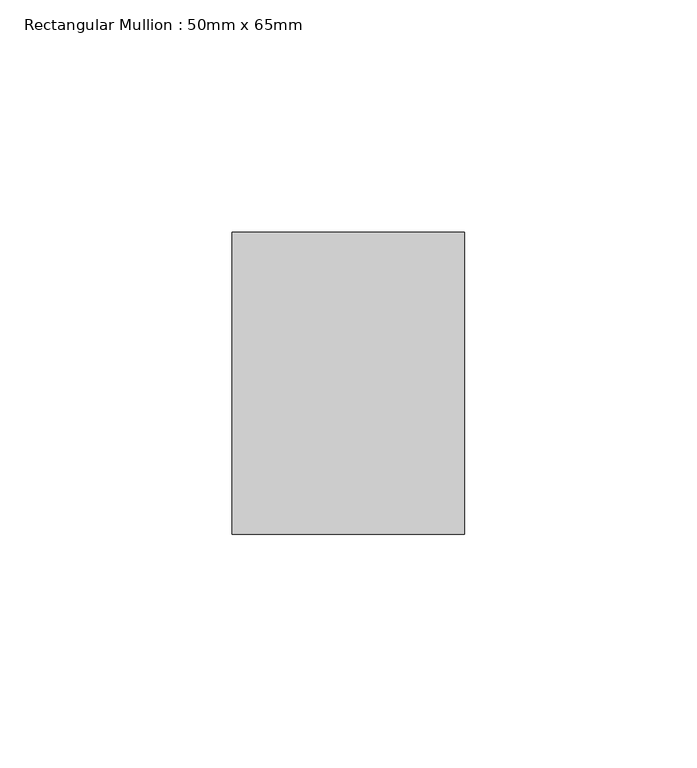
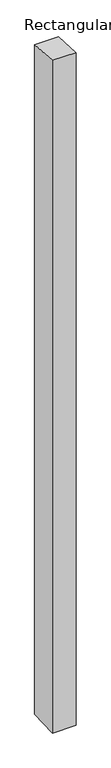
"""IFC4 building model written with IfcOpenShell, lengths in millimetres: member geometry, Rectangular Mullion : 50mm x 65mm."""

from ifc_helpers import new_model, si_unit, origin, place, context, project, spatial, faceted_brep, source, transform, mapped, element, save


def rectangular_mullion_50mm_x_65mm_c4bc0799(model_context):
    return source(origin(), model_context, "Body", "Brep", [
        faceted_brep([(-25.0, 32.5, -2.1659787), (25.0, 32.5, -2.1659782), (25.0, 32.5, -1498.758853), (-25.0, 32.5, -1498.7588527), (-25.0, -32.5, 2.1659782), (-25.0, -32.5, -1501.2410357), (25.0, -32.5, 2.1659787), (25.0, -32.5, -1501.241036)], [[[0, 1, 2, 3]], [[4, 0, 3, 5]], [[6, 4, 5, 7]], [[1, 6, 7, 2]], [[1, 0, 4, 6]], [[2, 7, 5, 3]]]),
    ])


if __name__ == "__main__":
    model = new_model("IFC4")
    model_context = context("Model", 3, world=origin())
    ifc_project = project(units=[si_unit("LENGTHUNIT", "METRE", prefix="MILLI")], contexts=[model_context])
    site = spatial("IfcSite", under=ifc_project)
    building = spatial("IfcBuilding", under=site)
    placement = place(None, origin())
    rectangular_mullion_50mm_x_65mm_shape = rectangular_mullion_50mm_x_65mm_c4bc0799(model_context)
    element("IfcMember", 1, ObjectType="Rectangular Mullion : 50mm x 65mm", at=placement, inside=building, context=model_context, shape_type="MappedRepresentation", body=[
        mapped(rectangular_mullion_50mm_x_65mm_shape, transform((0.0, 0.0, 0.0), x_axis=(1.0, 0.0, 0.0), y_axis=(0.0, 1.0, 0.0), z_axis=(0.0, 0.0, 1.0))),
    ])
    save(model, "model.ifc")
